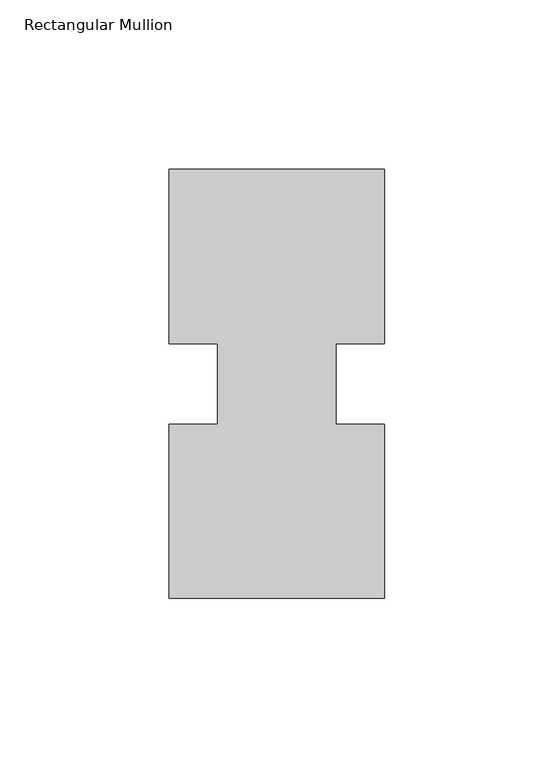
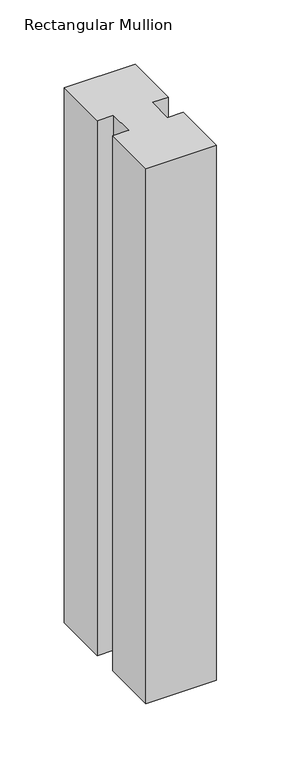
"""IFC4 building model written with IfcOpenShell, lengths in millimetres: member geometry, Rectangular Mullion."""

import ifcopenshell
import ifcopenshell.guid

model = None  # the IFC model being written
_history = None  # IfcOwnerHistory: only IFC2X3 demands one
_inside = {}  # id of a spatial element -> (the spatial element, [elements in it])
_under = {}  # id of a project, library or spatial element -> (it, [spatial elements below it])
_declared = {}  # id of a project -> (the project, [libraries it declares])
_typed = {}  # id of a type object -> (the type object, [elements of that type])
_made_of = {}  # id of a material, layer set ... -> (it, [elements and type objects made of it])


def new_model(schema):
    """Start an empty IFC model of exactly this schema.

    Asked for "IFC4X3", IfcOpenShell would pick the latest addendum, in which some entities
    have other attributes; the version numbers below select the first issue.
    IFC2X3 requires an IfcOwnerHistory on every rooted entity: one is made here for all.
    """
    global model, _history
    if schema == "IFC4X3":
        model = ifcopenshell.file(schema_version=(4, 3, 0, 0))
    else:
        model = ifcopenshell.file(schema=schema)
    _inside.clear()
    _under.clear()
    _declared.clear()
    _typed.clear()
    _made_of.clear()
    _history = None
    if model.schema == "IFC2X3":
        org = make("IfcOrganization", Name="unknown")
        user = make(
            "IfcPersonAndOrganization",
            ThePerson=make("IfcPerson", FamilyName="unknown"),
            TheOrganization=org,
        )
        app = make(
            "IfcApplication",
            ApplicationDeveloper=org,
            Version="unknown",
            ApplicationFullName="unknown",
            ApplicationIdentifier="unknown",
        )
        _history = make(
            "IfcOwnerHistory",
            OwningUser=user,
            OwningApplication=app,
            ChangeAction="ADDED",
            CreationDate=0,
        )
    return model


def make(cls, **values):
    """One entity of the class cls with the attributes given. An attribute that is None is left unset."""
    return model.create_entity(
        cls, **{name: value for name, value in values.items() if value is not None}
    )


def rooted(cls, **values):
    """An entity with a GlobalId (a new one), such as an element, a storey or a relation."""
    return make(cls, GlobalId=ifcopenshell.guid.new(), OwnerHistory=_history, **values)


def si_unit(unit_type, name, prefix=None):
    """IfcSIUnit, for example si_unit("LENGTHUNIT", "METRE", prefix="MILLI")."""
    return make("IfcSIUnit", UnitType=unit_type, Prefix=prefix, Name=name)


def assignment(units):
    """IfcUnitAssignment: the units of a project."""
    return None if units is None else make("IfcUnitAssignment", Units=units)


def point(xyz):
    """IfcCartesianPoint."""
    return None if xyz is None else make("IfcCartesianPoint", Coordinates=xyz)


def direction(xyz):
    """IfcDirection."""
    return None if xyz is None else make("IfcDirection", DirectionRatios=xyz)


def frame(location, z_axis=None, x_axis=None):
    """IfcAxis2Placement3D, a coordinate frame: its origin and axes. An axis left out is left unset."""
    return make(
        "IfcAxis2Placement3D",
        Location=point(location),
        Axis=direction(z_axis),
        RefDirection=direction(x_axis),
    )


def origin():
    """The frame at (0, 0, 0) with its axes left unset."""
    return frame((0.0, 0.0, 0.0))


def place(relative_to, where):
    """IfcLocalPlacement: puts the frame where relative to a parent placement (None: the world)."""
    return make(
        "IfcLocalPlacement", PlacementRelTo=relative_to, RelativePlacement=where
    )


def context(
    kind, dimensions, precision=None, world=None, true_north=None, identifier=None
):
    """IfcGeometricRepresentationContext, for example the 3D "Model" context."""
    return make(
        "IfcGeometricRepresentationContext",
        ContextIdentifier=identifier,
        ContextType=kind,
        CoordinateSpaceDimension=dimensions,
        Precision=precision,
        WorldCoordinateSystem=world,
        TrueNorth=true_north,
    )


def project(units=None, contexts=None):
    """IfcProject with its units and contexts."""
    return rooted(
        "IfcProject",
        Name="project",
        RepresentationContexts=contexts,
        UnitsInContext=assignment(units),
    )


def spatial(cls, under=None, at=None, **own):
    """A site, building, storey or space (cls), placed at a placement, below another one or the project."""
    s = rooted(cls, ObjectPlacement=at, **own)
    if under is not None:
        _under.setdefault(under.id(), (under, []))[1].append(s)
    return s


def polyline(points):
    """IfcPolyline through the points."""
    return make("IfcPolyline", Points=[point(p) for p in points])


def outline(outer, holes=None, kind="AREA"):
    """IfcArbitraryClosedProfileDef: a profile drawn as a closed curve; with holes, ...WithVoids."""
    if holes is None:
        return make("IfcArbitraryClosedProfileDef", ProfileType=kind, OuterCurve=outer)
    return make(
        "IfcArbitraryProfileDefWithVoids",
        ProfileType=kind,
        OuterCurve=outer,
        InnerCurves=holes,
    )


def extrude(swept, where, along, depth):
    """IfcExtrudedAreaSolid: the profile swept, set in the frame where, extruded along a direction by depth."""
    return make(
        "IfcExtrudedAreaSolid",
        SweptArea=swept,
        Position=where,
        ExtrudedDirection=direction(along),
        Depth=depth,
    )


def shape(context_of_items, identifier, shape_type, items):
    """IfcShapeRepresentation: the items that make up one representation, for example the "Body"."""
    return make(
        "IfcShapeRepresentation",
        ContextOfItems=context_of_items,
        RepresentationIdentifier=identifier,
        RepresentationType=shape_type,
        Items=items,
    )


def source(mapping_origin, context_of_items, identifier, shape_type, items):
    """IfcRepresentationMap: a shape defined once, which mapped items show again and again."""
    return make(
        "IfcRepresentationMap",
        MappingOrigin=mapping_origin,
        MappedRepresentation=shape(context_of_items, identifier, shape_type, items),
    )


def transform(
    local_origin,
    x_axis=None,
    y_axis=None,
    z_axis=None,
    scale=None,
    scale2=None,
    scale3=None,
    uniform=True,
):
    """IfcCartesianTransformationOperator3D, or its non-uniform kind. x_axis, y_axis, z_axis: its Axis1, 2, 3."""
    if uniform:
        return make(
            "IfcCartesianTransformationOperator3D",
            Axis1=direction(x_axis),
            Axis2=direction(y_axis),
            LocalOrigin=point(local_origin),
            Scale=scale,
            Axis3=direction(z_axis),
        )
    return make(
        "IfcCartesianTransformationOperator3DnonUniform",
        Axis1=direction(x_axis),
        Axis2=direction(y_axis),
        LocalOrigin=point(local_origin),
        Scale=scale,
        Axis3=direction(z_axis),
        Scale2=scale2,
        Scale3=scale3,
    )


def mapped(mapping_source, mapping_target):
    """IfcMappedItem: shows the shape of a source again, moved by a transform."""
    return make(
        "IfcMappedItem", MappingSource=mapping_source, MappingTarget=mapping_target
    )


def made_of(thing, what):
    """Note that an element or type object is made of a material, layer set ...; save() writes the relation."""
    if what is not None:
        _made_of.setdefault(what.id(), (what, []))[1].append(thing)
    return thing


def element(
    cls,
    number,
    at=None,
    inside=None,
    cuts=None,
    type_object=None,
    material=None,
    context=None,
    identifier="Body",
    shape_type=None,
    held_by="IfcProductDefinitionShape",
    body=None,
    shapes=None,
    **own,
):
    """One element of the class cls, such as IfcWall. Its Tag is "e" and its number.

    at: its placement. inside: the storey or other place that contains it. cuts: it is an
    opening in that element (IfcRelVoidsElement). A single representation is given by context,
    identifier, shape_type and body (its items); several are given by shapes. held_by: the class
    of the entity that holds the representations. save() writes the other relations.
    """
    e = rooted(cls, Tag="e%d" % number, ObjectPlacement=at, **own)
    if body is not None:
        shapes = [shape(context, identifier, shape_type, body)]
    if shapes is not None:
        e.Representation = make(held_by, Representations=shapes)
    if inside is not None:
        _inside.setdefault(inside.id(), (inside, []))[1].append(e)
    if cuts is not None:
        rooted(
            "IfcRelVoidsElement", RelatingBuildingElement=cuts, RelatedOpeningElement=e
        )
    if type_object is not None:
        _typed.setdefault(type_object.id(), (type_object, []))[1].append(e)
    return made_of(e, material)


def aggregate(whole, parts):
    """IfcRelAggregates: a whole, such as a stair, and the parts it consists of."""
    return rooted("IfcRelAggregates", RelatingObject=whole, RelatedObjects=parts)


def save(model, path):
    """Write the relations noted so far, then the file.

    IfcRelAggregates (storeys below a building ...), IfcRelContainedInSpatialStructure (elements
    in a storey), IfcRelDefinesByType, IfcRelAssociatesMaterial and IfcRelDeclares: one each for
    every whole, place, type object, material and project.
    """
    for whole, parts in _under.values():
        aggregate(whole, parts)
    for where, things in _inside.values():
        rooted(
            "IfcRelContainedInSpatialStructure",
            RelatedElements=things,
            RelatingStructure=where,
        )
    for kind, things in _typed.values():
        rooted("IfcRelDefinesByType", RelatedObjects=things, RelatingType=kind)
    for what, things in _made_of.values():
        rooted("IfcRelAssociatesMaterial", RelatedObjects=things, RelatingMaterial=what)
    for by, libraries in _declared.values():
        rooted("IfcRelDeclares", RelatingContext=by, RelatedDefinitions=libraries)
    model.write(path)


def rectangular_mullion_b536efa2(model_context):
    return source(origin(), model_context, "Body", "SweptSolid", [
        extrude(outline(polyline([(-63.5, 0.26035), (-63.5, 51.60645), (-49.2125, 51.60645), (-49.2125, 75.40625), (-63.5, 75.40625), (-63.5, 126.75235), (0.0, 126.75235), (0.0, 75.40625), (-14.2748, 75.40625), (-14.2748, 51.60645), (0.0, 51.60645), (0.0, 0.26035), (-63.5, 0.26035)])), frame((0.0, 0.0, -507.96825), z_axis=(0.0, 0.0, 1.0), x_axis=(1.0, 0.0, 0.0)), (0.0, 0.0, 1.0), 507.96825),
    ])


if __name__ == "__main__":
    model = new_model("IFC4")
    model_context = context("Model", 3, world=origin())
    ifc_project = project(units=[si_unit("LENGTHUNIT", "METRE", prefix="MILLI")], contexts=[model_context])
    site = spatial("IfcSite", under=ifc_project)
    building = spatial("IfcBuilding", under=site)
    placement = place(None, origin())
    rectangular_mullion_shape = rectangular_mullion_b536efa2(model_context)
    element("IfcMember", 1, ObjectType="Rectangular Mullion", at=placement, inside=building, context=model_context, shape_type="MappedRepresentation", body=[
        mapped(rectangular_mullion_shape, transform((0.0, 0.0, 0.0), x_axis=(1.0, 0.0, 0.0), y_axis=(0.0, 1.0, 0.0), z_axis=(0.0, 0.0, 1.0))),
    ])
    save(model, "model.ifc")
